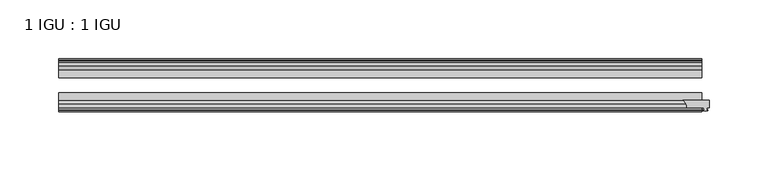
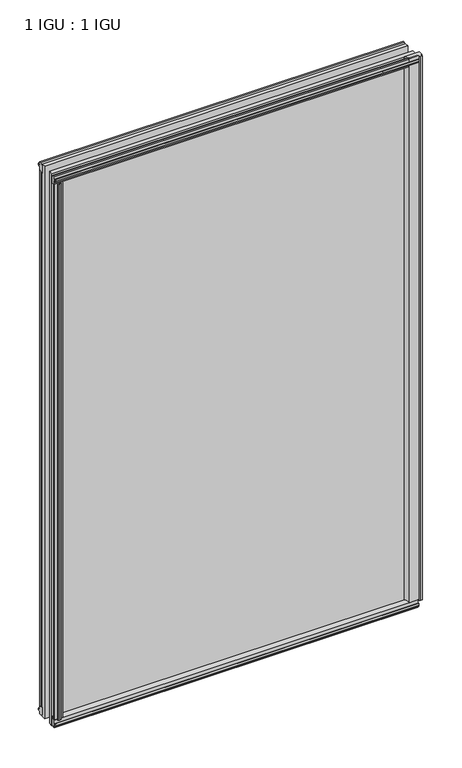
"""IFC4 building model written with IfcOpenShell, lengths in millimetres: plate geometry, 1 IGU : 1 IGU."""

from ifc_helpers import new_model, si_unit, point, frame, frame_2d, origin, origin_with_axes, place, context, project, spatial, polyline, circle_curve, trimmed, segment, composite_curve, outline, extrude, source, transform, mapped, element, save


def plate_1_igu_1_igu_924189da(model_context):
    return source(origin(), model_context, "Body", "SweptSolid", [
        extrude(outline(composite_curve([segment(polyline([(256.8614314, -44.9460938), (279.4, -44.9460938), (279.4, -51.2960938), (277.495, -51.2960938), (277.1775, -53.4006957), (278.3834059, -53.0775742), (278.3834059, -53.8927506), (276.225, -54.4710938), (274.0665941, -53.8927506), (274.0665941, -53.0775742), (275.2725, -53.4006957), (274.955, -51.2960938), (260.35, -51.2960938)]), True, "CONTINUOUS"), segment(trimmed(circle_curve(frame_2d((252.9115021, -51.2493858)), 7.4386445), [point((260.35, -51.2960938))], [point((256.8614314, -44.9460938))], True, "CARTESIAN"), True, "CONTINUOUS")], self_intersect=False)), origin_with_axes(), (0.0, 0.0, 1.0), 863.5872998),
        extrude(outline(polyline([(258.7642137, -19.5460937), (260.8694908, -13.1960937), (266.0766852, -13.1960937), (266.4576852, -10.8158968), (265.0421562, -11.27583), (265.0421562, -10.4746158), (267.2196852, -9.7670937), (269.3972143, -10.4746158), (269.3972143, -11.27583), (267.9816852, -10.8158968), (268.3626852, -13.1960937), (272.8076852, -13.1960937), (272.8076852, -16.1419073), (270.5946077, -19.5460937), (258.7642137, -19.5460937)])), origin_with_axes(), (0.0, 0.0, 1.0), 850.9),
        extrude(outline(polyline([(-258.7642137, -19.5460937), (-270.5946077, -19.5460937), (-272.8076852, -16.1419073), (-272.8076852, -13.1960937), (-268.3626852, -13.1960937), (-267.9816852, -10.8158968), (-269.3972143, -11.27583), (-269.3972143, -10.4746158), (-267.2196852, -9.7670937), (-265.0421562, -10.4746158), (-265.0421562, -11.27583), (-266.4576852, -10.8158968), (-266.0766852, -13.1960937), (-260.8694908, -13.1960937), (-258.7642137, -19.5460937)])), origin_with_axes(), (0.0, 0.0, 1.0), 850.9),
        extrude(outline(polyline([(-16.1419073, -12.4576852), (-19.5460937, -10.2446077), (-19.5460937, 1.5857863), (-13.1960937, -0.5194908), (-13.1960937, -5.7266852), (-10.8158968, -6.1076852), (-11.27583, -4.6921562), (-10.4746158, -4.6921562), (-9.7670937, -6.8696852), (-10.4746158, -9.0472143), (-11.27583, -9.0472143), (-10.8158968, -7.6316852), (-13.1960937, -8.0126852), (-13.1960937, -12.4576852), (-16.1419073, -12.4576852)])), frame((-273.05, 0.0, 0.0), z_axis=(1.0, 0.0, 0.0), x_axis=(0.0, 1.0, 0.0)), (0.0, 0.0, 1.0), 546.1),
        extrude(outline(polyline([(-48.3502802, -11.938), (-51.2960937, -11.938), (-51.2960937, -7.493), (-53.6762907, -7.112), (-53.2163575, -8.5275291), (-54.0175717, -8.5275291), (-54.7250937, -6.35), (-54.0175717, -4.172471), (-53.2163575, -4.172471), (-53.6762907, -5.588), (-51.2960937, -5.207), (-51.2960937, 0.0001944), (-44.9460937, 2.1054715), (-44.9460937, -9.7249225), (-48.3502802, -11.938)])), frame((-273.05, 0.0, 0.0), z_axis=(1.0, 0.0, 0.0), x_axis=(0.0, 1.0, 0.0)), (0.0, 0.0, 1.0), 546.1),
        extrude(outline(polyline([(-16.1028367, 863.3576852), (-13.1960937, 863.3576852), (-13.1960937, 858.9126852), (-10.8158968, 858.5316852), (-11.27583, 859.9472143), (-10.4746158, 859.9472143), (-9.7670937, 857.7696852), (-10.4746158, 855.5921562), (-11.27583, 855.5921562), (-10.8158968, 857.0076852), (-13.1960937, 856.6266852), (-13.1960937, 851.3940908), (-19.5460937, 849.2888137), (-19.5460937, 861.1192077), (-16.1028367, 863.3576852)])), frame((-273.05, 0.0, 0.0), z_axis=(1.0, 0.0, 0.0), x_axis=(0.0, 1.0, 0.0)), (0.0, 0.0, 1.0), 546.1),
        extrude(outline(polyline([(-48.3893508, 862.8126), (-44.9460937, 860.5741225), (-44.9460937, 848.7437285), (-51.2960937, 850.8490056), (-51.2960937, 856.0816), (-53.6762907, 856.4626), (-53.2163575, 855.047071), (-54.0175717, 855.047071), (-54.7250938, 857.2246), (-54.0175717, 859.4021291), (-53.2163575, 859.4021291), (-53.6762907, 857.9866), (-51.2960937, 858.3676), (-51.2960937, 862.8126), (-48.3893508, 862.8126)])), frame((-273.05, 0.0, 0.0), z_axis=(1.0, 0.0, 0.0), x_axis=(0.0, 1.0, 0.0)), (0.0, 0.0, 1.0), 546.1),
        extrude(outline(polyline([(-258.2445285, -44.9460938), (-260.3498056, -51.2960938), (-265.557, -51.2960938), (-265.938, -53.6762907), (-264.522471, -53.2163575), (-264.522471, -54.0175717), (-266.7, -54.7250938), (-268.8775291, -54.0175717), (-268.8775291, -53.2163575), (-267.462, -53.6762907), (-267.843, -51.2960938), (-272.288, -51.2960938), (-272.288, -48.3502802), (-270.0749225, -44.9460938), (-258.2445285, -44.9460938)])), origin_with_axes(), (0.0, 0.0, 1.0), 850.9),
        extrude(outline(polyline([(273.05, -19.5460937), (273.05, -25.8337453), (-273.05, -25.8337453), (-273.05, -19.5460937), (273.05, -19.5460937)])), frame((0.0, 0.0, -12.7), z_axis=(0.0, 0.0, 1.0), x_axis=(1.0, 0.0, 0.0)), (0.0, 0.0, 1.0), 876.2872998),
        extrude(outline(polyline([(-273.05, -44.9460937), (-273.05, -38.6468938), (273.05, -38.6468938), (273.05, -44.9460937), (-273.05, -44.9460937)])), frame((0.0, 0.0, -12.7), z_axis=(0.0, 0.0, 1.0), x_axis=(1.0, 0.0, 0.0)), (0.0, 0.0, 1.0), 876.2872998),
    ])


if __name__ == "__main__":
    model = new_model("IFC4")
    model_context = context("Model", 3, world=origin())
    ifc_project = project(units=[si_unit("LENGTHUNIT", "METRE", prefix="MILLI")], contexts=[model_context])
    site = spatial("IfcSite", under=ifc_project)
    building = spatial("IfcBuilding", under=site)
    placement = place(None, origin())
    plate_1_igu_1_igu_shape = plate_1_igu_1_igu_924189da(model_context)
    element("IfcPlate", 1, ObjectType="1 IGU : 1 IGU", at=placement, inside=building, context=model_context, shape_type="MappedRepresentation", body=[
        mapped(plate_1_igu_1_igu_shape, transform((0.0, 0.0, 0.0), x_axis=(1.0, 0.0, 0.0), y_axis=(0.0, 1.0, 0.0), z_axis=(0.0, 0.0, 1.0))),
    ])
    save(model, "model.ifc")
